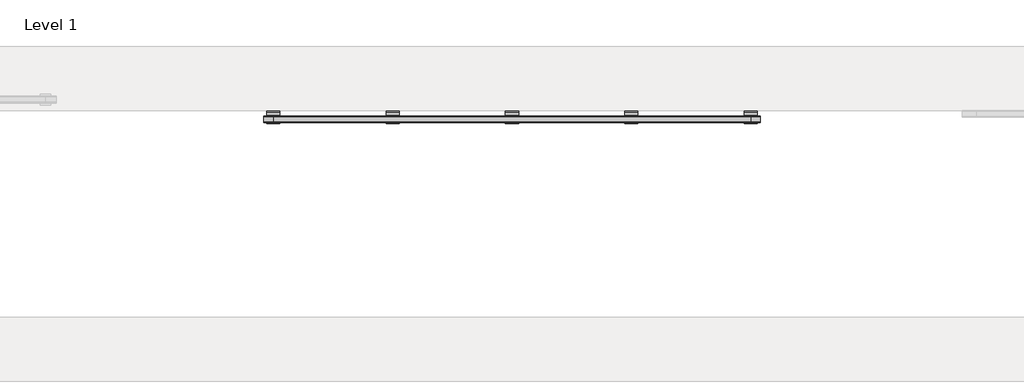
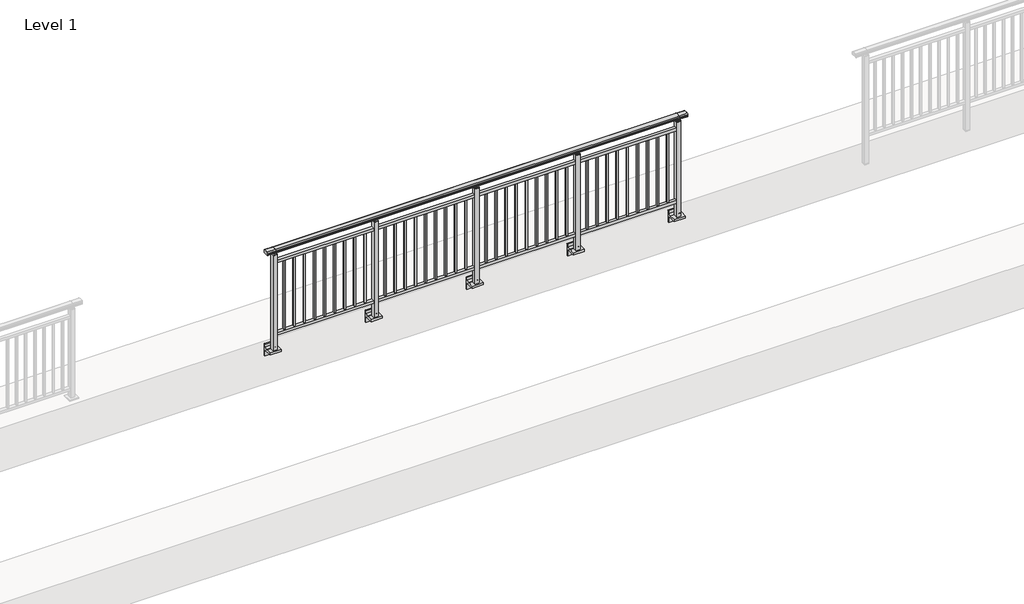
# One storey, part 14 of 64: 1 railing.
"""IFC4 building model written with IfcOpenShell, lengths in millimetres."""

from ifc_helpers import new_model, si_unit, point, frame, frame_2d, origin, place, context, project, spatial, polyline, circle_curve, trimmed, segment, composite_curve, outline, extrude, element, save
from ifc_brep_helpers import plane_surface, cylinder_surface, revolved_surface, advanced_brep

model = new_model("IFC4")

# Units and contexts
model_context = context("Model", 3, world=origin())
ifc_project = project(units=[si_unit("LENGTHUNIT", "METRE", prefix="MILLI")], contexts=[model_context])

# Site, building, storey
site = spatial("IfcSite", under=ifc_project)
building = spatial("IfcBuilding", under=site)
storey = spatial("IfcBuildingStorey", under=building, Name="Level 1", Elevation=0.0)

# Railing
placement = place(None, origin())
element("IfcRailing", 1, at=placement, inside=storey, context=model_context, shape_type="SolidModel", body=[
    advanced_brep(
    [(12910.0, 4842.8633756, 1095.6691182), (12910.0, 4847.6846828, 1081.1334092), (12910.0, 4846.7413744, 1069.2539035), (12910.0, 4848.6364177, 1061.4863007), (12910.0, 4846.9894799, 1060.384124), (12910.0, 4846.9894799, 1062.0), (12910.0, 4788.3798858, 1062.0), (12910.0, 4788.3798858, 1060.384124), (12910.0, 4786.732948, 1061.4863007), (12910.0, 4788.6279912, 1069.2539035), (12910.0, 4787.6846828, 1081.1334092), (12910.0, 4792.50599, 1095.6691182), (17490.0, 4842.8633756, 1095.6691182), (17490.0, 4792.50599, 1095.6691182), (17490.0, 4787.6846828, 1081.1334092), (17490.0, 4788.6279912, 1069.2539035), (17490.0, 4786.732948, 1061.4863007), (17490.0, 4788.3798858, 1060.384124), (17490.0, 4788.3798858, 1062.0), (17490.0, 4846.9894799, 1062.0), (17490.0, 4846.9894799, 1060.384124), (17490.0, 4848.6364177, 1061.4863007), (17490.0, 4846.7413744, 1069.2539035), (17490.0, 4847.6846828, 1081.1334092), (13000.0, 4842.8633756, 1095.6691182), (13000.0, 4847.6846828, 1081.1334092), (13000.0, 4846.7413744, 1069.2539035), (13000.0, 4848.6364177, 1061.4863007), (13000.0, 4846.9894799, 1060.384124), (13000.0, 4846.9894799, 1062.0), (13000.0, 4788.3798858, 1062.0), (13000.0, 4788.3798858, 1060.384124), (13000.0, 4786.732948, 1061.4863007), (13000.0, 4788.6279912, 1069.2539035), (13000.0, 4787.6846828, 1081.1334092), (13000.0, 4792.50599, 1095.6691182), (17400.0, 4842.8633756, 1095.6691182), (17400.0, 4847.6846828, 1081.1334092), (17400.0, 4846.7413744, 1069.2539035), (17400.0, 4848.6364177, 1061.4863007), (17400.0, 4846.9894799, 1060.384124), (17400.0, 4846.9894799, 1062.0), (17400.0, 4788.3798858, 1062.0), (17400.0, 4788.3798858, 1060.384124), (17400.0, 4786.732948, 1061.4863007), (17400.0, 4788.6279912, 1069.2539035), (17400.0, 4787.6846828, 1081.1334092), (17400.0, 4792.50599, 1095.6691182)],
    [
        (0, 1, circle_curve(frame((12910.0, 4839.6223845, 1086.526686), z_axis=(-1.0, 0.0, 0.0), x_axis=(0.0, -1.0, 0.0)), 9.6999015)),
        (1, 2, circle_curve(frame((12910.0, 4865.2252545, 1073.7633709), z_axis=(1.0, 0.0, 0.0), x_axis=(0.0, -1.0, 0.0)), 19.0260117)),
        (2, 3),
        (3, 4, circle_curve(frame((12910.0, 4847.7772073, 1060.9886194), z_axis=(-1.0, 0.0, 0.0), x_axis=(0.0, -1.0, 0.0)), 0.9929396)),
        (4, 5),
        (5, 6),
        (6, 7),
        (7, 8, circle_curve(frame((12910.0, 4787.5921584, 1060.9886194), z_axis=(-1.0, 0.0, 0.0), x_axis=(0.0, 1.0, 0.0)), 0.9929396)),
        (8, 9),
        (9, 10, circle_curve(frame((12910.0, 4770.1441111, 1073.7633709), z_axis=(1.0, 0.0, 0.0), x_axis=(0.0, 1.0, 0.0)), 19.0260117)),
        (10, 11, circle_curve(frame((12910.0, 4795.7469812, 1086.526686), z_axis=(-1.0, 0.0, 0.0), x_axis=(0.0, 1.0, 0.0)), 9.6999015)),
        (11, 0, circle_curve(frame((12910.0, 4817.6846828, 1024.6431628), z_axis=(-1.0, 0.0, 0.0), x_axis=(0.0, 1.0, 0.0)), 75.3568372)),
        (12, 13, circle_curve(frame((17490.0, 4817.6846828, 1024.6431628), z_axis=(1.0, 0.0, 0.0), x_axis=(0.0, 1.0, 0.0)), 75.3568372)),
        (13, 14, circle_curve(frame((17490.0, 4795.7469812, 1086.526686), z_axis=(1.0, 0.0, 0.0), x_axis=(0.0, 1.0, 0.0)), 9.6999015)),
        (14, 15, circle_curve(frame((17490.0, 4770.1441111, 1073.7633709), z_axis=(-1.0, 0.0, 0.0), x_axis=(0.0, 1.0, 0.0)), 19.0260117)),
        (15, 16),
        (16, 17, circle_curve(frame((17490.0, 4787.5921584, 1060.9886194), z_axis=(1.0, 0.0, 0.0), x_axis=(0.0, 1.0, 0.0)), 0.9929396)),
        (17, 18),
        (18, 19),
        (19, 20),
        (20, 21, circle_curve(frame((17490.0, 4847.7772073, 1060.9886194), z_axis=(1.0, 0.0, 0.0), x_axis=(0.0, -1.0, 0.0)), 0.9929396)),
        (21, 22),
        (22, 23, circle_curve(frame((17490.0, 4865.2252545, 1073.7633709), z_axis=(-1.0, 0.0, 0.0), x_axis=(0.0, -1.0, 0.0)), 19.0260117)),
        (23, 12, circle_curve(frame((17490.0, 4839.6223845, 1086.526686), z_axis=(1.0, 0.0, 0.0), x_axis=(0.0, -1.0, 0.0)), 9.6999015)),
        (0, 24),
        (24, 25, circle_curve(frame((13000.0, 4839.6223845, 1086.526686), z_axis=(-1.0, 0.0, 0.0), x_axis=(0.0, -1.0, 0.0)), 9.6999015)),
        (25, 1),
        (25, 26, circle_curve(frame((13000.0, 4865.2252545, 1073.7633709), z_axis=(1.0, 0.0, 0.0), x_axis=(0.0, -1.0, 0.0)), 19.0260117)),
        (26, 2),
        (26, 27),
        (27, 3),
        (27, 28, circle_curve(frame((13000.0, 4847.7772073, 1060.9886194), z_axis=(-1.0, 0.0, 0.0), x_axis=(0.0, -1.0, 0.0)), 0.9929396)),
        (28, 4),
        (28, 29),
        (29, 5),
        (29, 30),
        (30, 6),
        (30, 31),
        (31, 7),
        (31, 32, circle_curve(frame((13000.0, 4787.5921584, 1060.9886194), z_axis=(-1.0, 0.0, 0.0), x_axis=(0.0, 1.0, 0.0)), 0.9929396)),
        (32, 8),
        (32, 33),
        (33, 9),
        (33, 34, circle_curve(frame((13000.0, 4770.1441111, 1073.7633709), z_axis=(1.0, 0.0, 0.0), x_axis=(0.0, 1.0, 0.0)), 19.0260117)),
        (34, 10),
        (34, 35, circle_curve(frame((13000.0, 4795.7469812, 1086.526686), z_axis=(-1.0, 0.0, 0.0), x_axis=(0.0, 1.0, 0.0)), 9.6999015)),
        (35, 11),
        (35, 24, circle_curve(frame((13000.0, 4817.6846828, 1024.6431628), z_axis=(-1.0, 0.0, 0.0), x_axis=(0.0, 1.0, 0.0)), 75.3568372)),
        (24, 36),
        (36, 37, circle_curve(frame((17400.0, 4839.6223845, 1086.526686), z_axis=(-1.0, 0.0, 0.0), x_axis=(0.0, -1.0, 0.0)), 9.6999015)),
        (37, 25),
        (37, 38, circle_curve(frame((17400.0, 4865.2252545, 1073.7633709), z_axis=(1.0, 0.0, 0.0), x_axis=(0.0, -1.0, 0.0)), 19.0260117)),
        (38, 26),
        (38, 39),
        (39, 27),
        (39, 40, circle_curve(frame((17400.0, 4847.7772073, 1060.9886194), z_axis=(-1.0, 0.0, 0.0), x_axis=(0.0, -1.0, 0.0)), 0.9929396)),
        (40, 28),
        (40, 41),
        (41, 29),
        (41, 42),
        (42, 30),
        (42, 43),
        (43, 31),
        (43, 44, circle_curve(frame((17400.0, 4787.5921584, 1060.9886194), z_axis=(-1.0, 0.0, 0.0), x_axis=(0.0, 1.0, 0.0)), 0.9929396)),
        (44, 32),
        (44, 45),
        (45, 33),
        (45, 46, circle_curve(frame((17400.0, 4770.1441111, 1073.7633709), z_axis=(1.0, 0.0, 0.0), x_axis=(0.0, 1.0, 0.0)), 19.0260117)),
        (46, 34),
        (46, 47, circle_curve(frame((17400.0, 4795.7469812, 1086.526686), z_axis=(-1.0, 0.0, 0.0), x_axis=(0.0, 1.0, 0.0)), 9.6999015)),
        (47, 35),
        (47, 36, circle_curve(frame((17400.0, 4817.6846828, 1024.6431628), z_axis=(-1.0, 0.0, 0.0), x_axis=(0.0, 1.0, 0.0)), 75.3568372)),
        (36, 12),
        (23, 37),
        (22, 38),
        (21, 39),
        (20, 40),
        (19, 41),
        (18, 42),
        (17, 43),
        (16, 44),
        (15, 45),
        (14, 46),
        (13, 47),
    ],
    [
        plane_surface(frame((12910.0, 4817.6846828, 1100.0), z_axis=(-1.0, 0.0, 0.0), x_axis=(0.0, 1.0, 0.0))),
        plane_surface(frame((17490.0, 4817.6846828, 1100.0), z_axis=(1.0, 0.0, 0.0), x_axis=(0.0, 1.0, 0.0))),
        cylinder_surface(frame((12910.0, 4839.6223845, 1086.526686), z_axis=(-1.0, 0.0, 0.0), x_axis=(0.0, -1.0, 0.0)), 9.6999015),
        revolved_surface(polyline([(13000.0, 4846.1992428, 1073.7633709), (12910.0, 4846.1992428, 1073.7633709)]), (12910.0, 4865.2252545, 1073.7633709), (1.0, 0.0, 0.0)),
        plane_surface(frame((12910.0, 4846.7413744, 1069.2539035), z_axis=(0.0, 0.9715057689301543, 0.2370159086125439), x_axis=(1.0, 0.0, 0.0))),
        cylinder_surface(frame((12910.0, 4847.7772073, 1060.9886194), z_axis=(-1.0, 0.0, 0.0), x_axis=(0.0, -1.0, 0.0)), 0.9929396),
        plane_surface(frame((12910.0, 4846.9894799, 1060.384124), z_axis=(0.0, -1.0, 0.0), x_axis=(1.0, 0.0, 0.0))),
        plane_surface(frame((12910.0, 4846.9894799, 1062.0), z_axis=(0.0, 0.0, -1.0), x_axis=(1.0, 0.0, 0.0))),
        plane_surface(frame((12910.0, 4788.3798858, 1062.0), z_axis=(0.0, 1.0, 0.0), x_axis=(1.0, 0.0, 0.0))),
        cylinder_surface(frame((12910.0, 4787.5921584, 1060.9886194), z_axis=(-1.0, 0.0, 0.0), x_axis=(0.0, 1.0, 0.0)), 0.9929396),
        plane_surface(frame((12910.0, 4786.732948, 1061.4863007), z_axis=(0.0, -0.9715057689301543, 0.2370159086125439), x_axis=(1.0, 0.0, 0.0))),
        revolved_surface(polyline([(13000.0, 4789.1701228, 1073.7633709), (12910.0, 4789.1701228, 1073.7633709)]), (12910.0, 4770.1441111, 1073.7633709), (1.0, 0.0, 0.0)),
        cylinder_surface(frame((12910.0, 4795.7469812, 1086.526686), z_axis=(-1.0, 0.0, 0.0), x_axis=(0.0, 1.0, 0.0)), 9.6999015),
        cylinder_surface(frame((12910.0, 4817.6846828, 1024.6431628), z_axis=(-1.0, 0.0, 0.0), x_axis=(0.0, 1.0, 0.0)), 75.3568372),
        cylinder_surface(frame((13000.0, 4839.6223845, 1086.526686), z_axis=(-1.0, 0.0, 0.0), x_axis=(0.0, -1.0, 0.0)), 9.6999015),
        revolved_surface(polyline([(17400.0, 4846.1992428, 1073.7633709), (13000.0, 4846.1992428, 1073.7633709)]), (13000.0, 4865.2252545, 1073.7633709), (1.0, 0.0, 0.0)),
        plane_surface(frame((13000.0, 4846.7413744, 1069.2539035), z_axis=(0.0, 0.9715057689301543, 0.2370159086125439), x_axis=(1.0, 0.0, 0.0))),
        cylinder_surface(frame((13000.0, 4847.7772073, 1060.9886194), z_axis=(-1.0, 0.0, 0.0), x_axis=(0.0, -1.0, 0.0)), 0.9929396),
        plane_surface(frame((13000.0, 4846.9894799, 1060.384124), z_axis=(0.0, -1.0, 0.0), x_axis=(1.0, 0.0, 0.0))),
        plane_surface(frame((13000.0, 4846.9894799, 1062.0), z_axis=(0.0, 0.0, -1.0), x_axis=(1.0, 0.0, 0.0))),
        plane_surface(frame((13000.0, 4788.3798858, 1062.0), z_axis=(0.0, 1.0, 0.0), x_axis=(1.0, 0.0, 0.0))),
        cylinder_surface(frame((13000.0, 4787.5921584, 1060.9886194), z_axis=(-1.0, 0.0, 0.0), x_axis=(0.0, 1.0, 0.0)), 0.9929396),
        plane_surface(frame((13000.0, 4786.732948, 1061.4863007), z_axis=(0.0, -0.9715057689301543, 0.2370159086125439), x_axis=(1.0, 0.0, 0.0))),
        revolved_surface(polyline([(17400.0, 4789.1701228, 1073.7633709), (13000.0, 4789.1701228, 1073.7633709)]), (13000.0, 4770.1441111, 1073.7633709), (1.0, 0.0, 0.0)),
        cylinder_surface(frame((13000.0, 4795.7469812, 1086.526686), z_axis=(-1.0, 0.0, 0.0), x_axis=(0.0, 1.0, 0.0)), 9.6999015),
        cylinder_surface(frame((13000.0, 4817.6846828, 1024.6431628), z_axis=(-1.0, 0.0, 0.0), x_axis=(0.0, 1.0, 0.0)), 75.3568372),
        cylinder_surface(frame((17400.0, 4839.6223845, 1086.526686), z_axis=(-1.0, 0.0, 0.0), x_axis=(0.0, -1.0, 0.0)), 9.6999015),
        revolved_surface(polyline([(17490.0, 4846.1992428, 1073.7633709), (17400.0, 4846.1992428, 1073.7633709)]), (17400.0, 4865.2252545, 1073.7633709), (1.0, 0.0, 0.0)),
        plane_surface(frame((17400.0, 4846.7413744, 1069.2539035), z_axis=(0.0, 0.9715057689301543, 0.2370159086125439), x_axis=(1.0, 0.0, 0.0))),
        cylinder_surface(frame((17400.0, 4847.7772073, 1060.9886194), z_axis=(-1.0, 0.0, 0.0), x_axis=(0.0, -1.0, 0.0)), 0.9929396),
        plane_surface(frame((17400.0, 4846.9894799, 1060.384124), z_axis=(0.0, -1.0, 0.0), x_axis=(1.0, 0.0, 0.0))),
        plane_surface(frame((17400.0, 4846.9894799, 1062.0), z_axis=(0.0, 0.0, -1.0), x_axis=(1.0, 0.0, 0.0))),
        plane_surface(frame((17400.0, 4788.3798858, 1062.0), z_axis=(0.0, 1.0, 0.0), x_axis=(1.0, 0.0, 0.0))),
        cylinder_surface(frame((17400.0, 4787.5921584, 1060.9886194), z_axis=(-1.0, 0.0, 0.0), x_axis=(0.0, 1.0, 0.0)), 0.9929396),
        plane_surface(frame((17400.0, 4786.732948, 1061.4863007), z_axis=(0.0, -0.9715057689301543, 0.2370159086125439), x_axis=(1.0, 0.0, 0.0))),
        revolved_surface(polyline([(17490.0, 4789.1701228, 1073.7633709), (17400.0, 4789.1701228, 1073.7633709)]), (17400.0, 4770.1441111, 1073.7633709), (1.0, 0.0, 0.0)),
        cylinder_surface(frame((17400.0, 4795.7469812, 1086.526686), z_axis=(-1.0, 0.0, 0.0), x_axis=(0.0, 1.0, 0.0)), 9.6999015),
        cylinder_surface(frame((17400.0, 4817.6846828, 1024.6431628), z_axis=(-1.0, 0.0, 0.0), x_axis=(0.0, 1.0, 0.0)), 75.3568372),
    ],
    [
        (0, [[1, 2, 3, 4, 5, 6, 7, 8, 9, 10, 11, 12]]),
        (1, [[13, 14, 15, 16, 17, 18, 19, 20, 21, 22, 23, 24]]),
        (2, [[-1, 25, 26, 27]]),
        (3, [[-2, -27, 28, 29]]),
        (4, [[-3, -29, 30, 31]]),
        (5, [[-4, -31, 32, 33]]),
        (6, [[-5, -33, 34, 35]]),
        (7, [[-6, -35, 36, 37]]),
        (8, [[-7, -37, 38, 39]]),
        (9, [[-8, -39, 40, 41]]),
        (10, [[-9, -41, 42, 43]]),
        (11, [[-10, -43, 44, 45]]),
        (12, [[-11, -45, 46, 47]]),
        (13, [[-12, -47, 48, -25]]),
        (14, [[-26, 49, 50, 51]]),
        (15, [[-28, -51, 52, 53]]),
        (16, [[-30, -53, 54, 55]]),
        (17, [[-32, -55, 56, 57]]),
        (18, [[-34, -57, 58, 59]]),
        (19, [[-36, -59, 60, 61]]),
        (20, [[-38, -61, 62, 63]]),
        (21, [[-40, -63, 64, 65]]),
        (22, [[-42, -65, 66, 67]]),
        (23, [[-44, -67, 68, 69]]),
        (24, [[-46, -69, 70, 71]]),
        (25, [[-48, -71, 72, -49]]),
        (26, [[-50, 73, -24, 74]]),
        (27, [[-52, -74, -23, 75]]),
        (28, [[-54, -75, -22, 76]]),
        (29, [[-56, -76, -21, 77]]),
        (30, [[-58, -77, -20, 78]]),
        (31, [[-60, -78, -19, 79]]),
        (32, [[-62, -79, -18, 80]]),
        (33, [[-64, -80, -17, 81]]),
        (34, [[-66, -81, -16, 82]]),
        (35, [[-68, -82, -15, 83]]),
        (36, [[-70, -83, -14, 84]]),
        (37, [[-72, -84, -13, -73]]),
    ],
),
    extrude(outline(polyline([(13000.0, 4800.1846828), (13000.0, 4835.1846828), (17400.0, 4835.1846828), (17400.0, 4800.1846828), (13000.0, 4800.1846828)])), frame((0.0, 0.0, 930.0), z_axis=(0.0, 0.0, 1.0), x_axis=(1.0, 0.0, 0.0)), (0.0, 0.0, 1.0), 30.0),
    extrude(outline(polyline([(13000.0, 4800.1846828), (13000.0, 4835.1846828), (17400.0, 4835.1846828), (17400.0, 4800.1846828), (13000.0, 4800.1846828)])), frame((0.0, 0.0, 95.0), z_axis=(0.0, 0.0, 1.0), x_axis=(1.0, 0.0, 0.0)), (0.0, 0.0, 1.0), 30.0),
    extrude(outline(polyline([(17298.5, 4809.1846828), (17281.5, 4809.1846828), (17281.5, 4826.1846828), (17298.5, 4826.1846828), (17298.5, 4809.1846828)])), frame((0.0, 0.0, 125.0), z_axis=(0.0, 0.0, 1.0), x_axis=(1.0, 0.0, 0.0)), (0.0, 0.0, 1.0), 805.0),
    extrude(outline(polyline([(17188.5, 4809.1846828), (17171.5, 4809.1846828), (17171.5, 4826.1846828), (17188.5, 4826.1846828), (17188.5, 4809.1846828)])), frame((0.0, 0.0, 125.0), z_axis=(0.0, 0.0, 1.0), x_axis=(1.0, 0.0, 0.0)), (0.0, 0.0, 1.0), 805.0),
    extrude(outline(polyline([(17078.5, 4809.1846828), (17061.5, 4809.1846828), (17061.5, 4826.1846828), (17078.5, 4826.1846828), (17078.5, 4809.1846828)])), frame((0.0, 0.0, 125.0), z_axis=(0.0, 0.0, 1.0), x_axis=(1.0, 0.0, 0.0)), (0.0, 0.0, 1.0), 805.0),
    extrude(outline(polyline([(16968.5, 4809.1846828), (16951.5, 4809.1846828), (16951.5, 4826.1846828), (16968.5, 4826.1846828), (16968.5, 4809.1846828)])), frame((0.0, 0.0, 125.0), z_axis=(0.0, 0.0, 1.0), x_axis=(1.0, 0.0, 0.0)), (0.0, 0.0, 1.0), 805.0),
    extrude(outline(polyline([(16858.5, 4809.1846828), (16841.5, 4809.1846828), (16841.5, 4826.1846828), (16858.5, 4826.1846828), (16858.5, 4809.1846828)])), frame((0.0, 0.0, 125.0), z_axis=(0.0, 0.0, 1.0), x_axis=(1.0, 0.0, 0.0)), (0.0, 0.0, 1.0), 805.0),
    extrude(outline(polyline([(16748.5, 4809.1846828), (16731.5, 4809.1846828), (16731.5, 4826.1846828), (16748.5, 4826.1846828), (16748.5, 4809.1846828)])), frame((0.0, 0.0, 125.0), z_axis=(0.0, 0.0, 1.0), x_axis=(1.0, 0.0, 0.0)), (0.0, 0.0, 1.0), 805.0),
    extrude(outline(polyline([(16638.5, 4809.1846828), (16621.5, 4809.1846828), (16621.5, 4826.1846828), (16638.5, 4826.1846828), (16638.5, 4809.1846828)])), frame((0.0, 0.0, 125.0), z_axis=(0.0, 0.0, 1.0), x_axis=(1.0, 0.0, 0.0)), (0.0, 0.0, 1.0), 805.0),
    extrude(outline(polyline([(16528.5, 4809.1846828), (16511.5, 4809.1846828), (16511.5, 4826.1846828), (16528.5, 4826.1846828), (16528.5, 4809.1846828)])), frame((0.0, 0.0, 125.0), z_axis=(0.0, 0.0, 1.0), x_axis=(1.0, 0.0, 0.0)), (0.0, 0.0, 1.0), 805.0),
    extrude(outline(polyline([(16418.5, 4809.1846828), (16401.5, 4809.1846828), (16401.5, 4826.1846828), (16418.5, 4826.1846828), (16418.5, 4809.1846828)])), frame((0.0, 0.0, 125.0), z_axis=(0.0, 0.0, 1.0), x_axis=(1.0, 0.0, 0.0)), (0.0, 0.0, 1.0), 805.0),
    extrude(outline(composite_curve([segment(polyline([(4850.1846828, -70.0), (4884.1846828, -63.0), (4884.1846828, -32.5), (4900.1846828, -32.5), (4900.1846828, -167.5), (4884.1846828, -167.5), (4884.1846828, -113.5)]), True, "CONTINUOUS"), segment(trimmed(circle_curve(frame_2d((4864.1846828, -113.5)), 20.0), [point((4884.1846828, -113.5))], [point((4864.1846828, -93.5))], True, "CARTESIAN"), True, "CONTINUOUS"), segment(polyline([(4864.1846828, -93.5), (4780.1846828, -93.5), (4780.1846828, -70.0), (4850.1846828, -70.0)]), True, "CONTINUOUS")], self_intersect=False)), frame((16240.0, 0.0, 0.0), z_axis=(1.0, 0.0, 0.0), x_axis=(0.0, 1.0, 0.0)), (0.0, 0.0, 1.0), 120.0),
    extrude(outline(polyline([(16322.5, 4840.1846828), (16322.5, 4795.1846828), (16277.5, 4795.1846828), (16277.5, 4840.1846828), (16322.5, 4840.1846828)])), frame((0.0, 0.0, -70.0), z_axis=(0.0, 0.0, 1.0), x_axis=(1.0, 0.0, 0.0)), (0.0, 0.0, 1.0), 1097.0),
    extrude(outline(polyline([(16310.0, 4827.6846828), (16310.0, 4807.6846828), (16290.0, 4807.6846828), (16290.0, 4827.6846828), (16310.0, 4827.6846828)])), frame((0.0, 0.0, 1035.0), z_axis=(0.0, 0.0, 1.0), x_axis=(1.0, 0.0, 0.0)), (0.0, 0.0, 1.0), 20.0),
    extrude(outline(polyline([(16322.5, 4840.1846828), (16322.5, 4795.1846828), (16277.5, 4795.1846828), (16277.5, 4840.1846828), (16322.5, 4840.1846828)])), frame((0.0, 0.0, 1027.0), z_axis=(0.0, 0.0, 1.0), x_axis=(1.0, 0.0, 0.0)), (0.0, 0.0, 1.0), 8.0),
    extrude(outline(polyline([(16198.5, 4809.1846828), (16181.5, 4809.1846828), (16181.5, 4826.1846828), (16198.5, 4826.1846828), (16198.5, 4809.1846828)])), frame((0.0, 0.0, 125.0), z_axis=(0.0, 0.0, 1.0), x_axis=(1.0, 0.0, 0.0)), (0.0, 0.0, 1.0), 805.0),
    extrude(outline(polyline([(16088.5, 4809.1846828), (16071.5, 4809.1846828), (16071.5, 4826.1846828), (16088.5, 4826.1846828), (16088.5, 4809.1846828)])), frame((0.0, 0.0, 125.0), z_axis=(0.0, 0.0, 1.0), x_axis=(1.0, 0.0, 0.0)), (0.0, 0.0, 1.0), 805.0),
    extrude(outline(polyline([(15978.5, 4809.1846828), (15961.5, 4809.1846828), (15961.5, 4826.1846828), (15978.5, 4826.1846828), (15978.5, 4809.1846828)])), frame((0.0, 0.0, 125.0), z_axis=(0.0, 0.0, 1.0), x_axis=(1.0, 0.0, 0.0)), (0.0, 0.0, 1.0), 805.0),
    extrude(outline(polyline([(15868.5, 4809.1846828), (15851.5, 4809.1846828), (15851.5, 4826.1846828), (15868.5, 4826.1846828), (15868.5, 4809.1846828)])), frame((0.0, 0.0, 125.0), z_axis=(0.0, 0.0, 1.0), x_axis=(1.0, 0.0, 0.0)), (0.0, 0.0, 1.0), 805.0),
    extrude(outline(polyline([(15758.5, 4809.1846828), (15741.5, 4809.1846828), (15741.5, 4826.1846828), (15758.5, 4826.1846828), (15758.5, 4809.1846828)])), frame((0.0, 0.0, 125.0), z_axis=(0.0, 0.0, 1.0), x_axis=(1.0, 0.0, 0.0)), (0.0, 0.0, 1.0), 805.0),
    extrude(outline(polyline([(15648.5, 4809.1846828), (15631.5, 4809.1846828), (15631.5, 4826.1846828), (15648.5, 4826.1846828), (15648.5, 4809.1846828)])), frame((0.0, 0.0, 125.0), z_axis=(0.0, 0.0, 1.0), x_axis=(1.0, 0.0, 0.0)), (0.0, 0.0, 1.0), 805.0),
    extrude(outline(polyline([(15538.5, 4809.1846828), (15521.5, 4809.1846828), (15521.5, 4826.1846828), (15538.5, 4826.1846828), (15538.5, 4809.1846828)])), frame((0.0, 0.0, 125.0), z_axis=(0.0, 0.0, 1.0), x_axis=(1.0, 0.0, 0.0)), (0.0, 0.0, 1.0), 805.0),
    extrude(outline(polyline([(15428.5, 4809.1846828), (15411.5, 4809.1846828), (15411.5, 4826.1846828), (15428.5, 4826.1846828), (15428.5, 4809.1846828)])), frame((0.0, 0.0, 125.0), z_axis=(0.0, 0.0, 1.0), x_axis=(1.0, 0.0, 0.0)), (0.0, 0.0, 1.0), 805.0),
    extrude(outline(polyline([(15318.5, 4809.1846828), (15301.5, 4809.1846828), (15301.5, 4826.1846828), (15318.5, 4826.1846828), (15318.5, 4809.1846828)])), frame((0.0, 0.0, 125.0), z_axis=(0.0, 0.0, 1.0), x_axis=(1.0, 0.0, 0.0)), (0.0, 0.0, 1.0), 805.0),
    extrude(outline(composite_curve([segment(polyline([(4850.1846828, -70.0), (4884.1846828, -63.0), (4884.1846828, -32.5), (4900.1846828, -32.5), (4900.1846828, -167.5), (4884.1846828, -167.5), (4884.1846828, -113.5)]), True, "CONTINUOUS"), segment(trimmed(circle_curve(frame_2d((4864.1846828, -113.5)), 20.0), [point((4884.1846828, -113.5))], [point((4864.1846828, -93.5))], True, "CARTESIAN"), True, "CONTINUOUS"), segment(polyline([(4864.1846828, -93.5), (4780.1846828, -93.5), (4780.1846828, -70.0), (4850.1846828, -70.0)]), True, "CONTINUOUS")], self_intersect=False)), frame((15140.0, 0.0, 0.0), z_axis=(1.0, 0.0, 0.0), x_axis=(0.0, 1.0, 0.0)), (0.0, 0.0, 1.0), 120.0),
    extrude(outline(polyline([(15222.5, 4840.1846828), (15222.5, 4795.1846828), (15177.5, 4795.1846828), (15177.5, 4840.1846828), (15222.5, 4840.1846828)])), frame((0.0, 0.0, -70.0), z_axis=(0.0, 0.0, 1.0), x_axis=(1.0, 0.0, 0.0)), (0.0, 0.0, 1.0), 1097.0),
    extrude(outline(polyline([(15210.0, 4827.6846828), (15210.0, 4807.6846828), (15190.0, 4807.6846828), (15190.0, 4827.6846828), (15210.0, 4827.6846828)])), frame((0.0, 0.0, 1035.0), z_axis=(0.0, 0.0, 1.0), x_axis=(1.0, 0.0, 0.0)), (0.0, 0.0, 1.0), 20.0),
    extrude(outline(polyline([(15222.5, 4840.1846828), (15222.5, 4795.1846828), (15177.5, 4795.1846828), (15177.5, 4840.1846828), (15222.5, 4840.1846828)])), frame((0.0, 0.0, 1027.0), z_axis=(0.0, 0.0, 1.0), x_axis=(1.0, 0.0, 0.0)), (0.0, 0.0, 1.0), 8.0),
    extrude(outline(polyline([(15098.5, 4809.1846828), (15081.5, 4809.1846828), (15081.5, 4826.1846828), (15098.5, 4826.1846828), (15098.5, 4809.1846828)])), frame((0.0, 0.0, 125.0), z_axis=(0.0, 0.0, 1.0), x_axis=(1.0, 0.0, 0.0)), (0.0, 0.0, 1.0), 805.0),
    extrude(outline(polyline([(14988.5, 4809.1846828), (14971.5, 4809.1846828), (14971.5, 4826.1846828), (14988.5, 4826.1846828), (14988.5, 4809.1846828)])), frame((0.0, 0.0, 125.0), z_axis=(0.0, 0.0, 1.0), x_axis=(1.0, 0.0, 0.0)), (0.0, 0.0, 1.0), 805.0),
    extrude(outline(polyline([(14878.5, 4809.1846828), (14861.5, 4809.1846828), (14861.5, 4826.1846828), (14878.5, 4826.1846828), (14878.5, 4809.1846828)])), frame((0.0, 0.0, 125.0), z_axis=(0.0, 0.0, 1.0), x_axis=(1.0, 0.0, 0.0)), (0.0, 0.0, 1.0), 805.0),
    extrude(outline(polyline([(14768.5, 4809.1846828), (14751.5, 4809.1846828), (14751.5, 4826.1846828), (14768.5, 4826.1846828), (14768.5, 4809.1846828)])), frame((0.0, 0.0, 125.0), z_axis=(0.0, 0.0, 1.0), x_axis=(1.0, 0.0, 0.0)), (0.0, 0.0, 1.0), 805.0),
    extrude(outline(polyline([(14658.5, 4809.1846828), (14641.5, 4809.1846828), (14641.5, 4826.1846828), (14658.5, 4826.1846828), (14658.5, 4809.1846828)])), frame((0.0, 0.0, 125.0), z_axis=(0.0, 0.0, 1.0), x_axis=(1.0, 0.0, 0.0)), (0.0, 0.0, 1.0), 805.0),
    extrude(outline(polyline([(14548.5, 4809.1846828), (14531.5, 4809.1846828), (14531.5, 4826.1846828), (14548.5, 4826.1846828), (14548.5, 4809.1846828)])), frame((0.0, 0.0, 125.0), z_axis=(0.0, 0.0, 1.0), x_axis=(1.0, 0.0, 0.0)), (0.0, 0.0, 1.0), 805.0),
    extrude(outline(polyline([(14438.5, 4809.1846828), (14421.5, 4809.1846828), (14421.5, 4826.1846828), (14438.5, 4826.1846828), (14438.5, 4809.1846828)])), frame((0.0, 0.0, 125.0), z_axis=(0.0, 0.0, 1.0), x_axis=(1.0, 0.0, 0.0)), (0.0, 0.0, 1.0), 805.0),
    extrude(outline(polyline([(14328.5, 4809.1846828), (14311.5, 4809.1846828), (14311.5, 4826.1846828), (14328.5, 4826.1846828), (14328.5, 4809.1846828)])), frame((0.0, 0.0, 125.0), z_axis=(0.0, 0.0, 1.0), x_axis=(1.0, 0.0, 0.0)), (0.0, 0.0, 1.0), 805.0),
    extrude(outline(polyline([(14218.5, 4809.1846828), (14201.5, 4809.1846828), (14201.5, 4826.1846828), (14218.5, 4826.1846828), (14218.5, 4809.1846828)])), frame((0.0, 0.0, 125.0), z_axis=(0.0, 0.0, 1.0), x_axis=(1.0, 0.0, 0.0)), (0.0, 0.0, 1.0), 805.0),
    extrude(outline(composite_curve([segment(polyline([(4850.1846828, -70.0), (4884.1846828, -63.0), (4884.1846828, -32.5), (4900.1846828, -32.5), (4900.1846828, -167.5), (4884.1846828, -167.5), (4884.1846828, -113.5)]), True, "CONTINUOUS"), segment(trimmed(circle_curve(frame_2d((4864.1846828, -113.5)), 20.0), [point((4884.1846828, -113.5))], [point((4864.1846828, -93.5))], True, "CARTESIAN"), True, "CONTINUOUS"), segment(polyline([(4864.1846828, -93.5), (4780.1846828, -93.5), (4780.1846828, -70.0), (4850.1846828, -70.0)]), True, "CONTINUOUS")], self_intersect=False)), frame((14040.0, 0.0, 0.0), z_axis=(1.0, 0.0, 0.0), x_axis=(0.0, 1.0, 0.0)), (0.0, 0.0, 1.0), 120.0),
    extrude(outline(polyline([(14122.5, 4840.1846828), (14122.5, 4795.1846828), (14077.5, 4795.1846828), (14077.5, 4840.1846828), (14122.5, 4840.1846828)])), frame((0.0, 0.0, -70.0), z_axis=(0.0, 0.0, 1.0), x_axis=(1.0, 0.0, 0.0)), (0.0, 0.0, 1.0), 1097.0),
    extrude(outline(polyline([(14110.0, 4827.6846828), (14110.0, 4807.6846828), (14090.0, 4807.6846828), (14090.0, 4827.6846828), (14110.0, 4827.6846828)])), frame((0.0, 0.0, 1035.0), z_axis=(0.0, 0.0, 1.0), x_axis=(1.0, 0.0, 0.0)), (0.0, 0.0, 1.0), 20.0),
    extrude(outline(polyline([(14122.5, 4840.1846828), (14122.5, 4795.1846828), (14077.5, 4795.1846828), (14077.5, 4840.1846828), (14122.5, 4840.1846828)])), frame((0.0, 0.0, 1027.0), z_axis=(0.0, 0.0, 1.0), x_axis=(1.0, 0.0, 0.0)), (0.0, 0.0, 1.0), 8.0),
    extrude(outline(polyline([(13998.5, 4809.1846828), (13981.5, 4809.1846828), (13981.5, 4826.1846828), (13998.5, 4826.1846828), (13998.5, 4809.1846828)])), frame((0.0, 0.0, 125.0), z_axis=(0.0, 0.0, 1.0), x_axis=(1.0, 0.0, 0.0)), (0.0, 0.0, 1.0), 805.0),
    extrude(outline(polyline([(13888.5, 4809.1846828), (13871.5, 4809.1846828), (13871.5, 4826.1846828), (13888.5, 4826.1846828), (13888.5, 4809.1846828)])), frame((0.0, 0.0, 125.0), z_axis=(0.0, 0.0, 1.0), x_axis=(1.0, 0.0, 0.0)), (0.0, 0.0, 1.0), 805.0),
    extrude(outline(polyline([(13778.5, 4809.1846828), (13761.5, 4809.1846828), (13761.5, 4826.1846828), (13778.5, 4826.1846828), (13778.5, 4809.1846828)])), frame((0.0, 0.0, 125.0), z_axis=(0.0, 0.0, 1.0), x_axis=(1.0, 0.0, 0.0)), (0.0, 0.0, 1.0), 805.0),
    extrude(outline(polyline([(13668.5, 4809.1846828), (13651.5, 4809.1846828), (13651.5, 4826.1846828), (13668.5, 4826.1846828), (13668.5, 4809.1846828)])), frame((0.0, 0.0, 125.0), z_axis=(0.0, 0.0, 1.0), x_axis=(1.0, 0.0, 0.0)), (0.0, 0.0, 1.0), 805.0),
    extrude(outline(polyline([(13558.5, 4809.1846828), (13541.5, 4809.1846828), (13541.5, 4826.1846828), (13558.5, 4826.1846828), (13558.5, 4809.1846828)])), frame((0.0, 0.0, 125.0), z_axis=(0.0, 0.0, 1.0), x_axis=(1.0, 0.0, 0.0)), (0.0, 0.0, 1.0), 805.0),
    extrude(outline(polyline([(13448.5, 4809.1846828), (13431.5, 4809.1846828), (13431.5, 4826.1846828), (13448.5, 4826.1846828), (13448.5, 4809.1846828)])), frame((0.0, 0.0, 125.0), z_axis=(0.0, 0.0, 1.0), x_axis=(1.0, 0.0, 0.0)), (0.0, 0.0, 1.0), 805.0),
    extrude(outline(polyline([(13338.5, 4809.1846828), (13321.5, 4809.1846828), (13321.5, 4826.1846828), (13338.5, 4826.1846828), (13338.5, 4809.1846828)])), frame((0.0, 0.0, 125.0), z_axis=(0.0, 0.0, 1.0), x_axis=(1.0, 0.0, 0.0)), (0.0, 0.0, 1.0), 805.0),
    extrude(outline(polyline([(13228.5, 4809.1846828), (13211.5, 4809.1846828), (13211.5, 4826.1846828), (13228.5, 4826.1846828), (13228.5, 4809.1846828)])), frame((0.0, 0.0, 125.0), z_axis=(0.0, 0.0, 1.0), x_axis=(1.0, 0.0, 0.0)), (0.0, 0.0, 1.0), 805.0),
    extrude(outline(polyline([(13118.5, 4809.1846828), (13101.5, 4809.1846828), (13101.5, 4826.1846828), (13118.5, 4826.1846828), (13118.5, 4809.1846828)])), frame((0.0, 0.0, 125.0), z_axis=(0.0, 0.0, 1.0), x_axis=(1.0, 0.0, 0.0)), (0.0, 0.0, 1.0), 805.0),
    extrude(outline(composite_curve([segment(polyline([(4850.1846828, -70.0), (4884.1846828, -63.0), (4884.1846828, -32.5), (4900.1846828, -32.5), (4900.1846828, -167.5), (4884.1846828, -167.5), (4884.1846828, -113.5)]), True, "CONTINUOUS"), segment(trimmed(circle_curve(frame_2d((4864.1846828, -113.5)), 20.0), [point((4884.1846828, -113.5))], [point((4864.1846828, -93.5))], True, "CARTESIAN"), True, "CONTINUOUS"), segment(polyline([(4864.1846828, -93.5), (4780.1846828, -93.5), (4780.1846828, -70.0), (4850.1846828, -70.0)]), True, "CONTINUOUS")], self_intersect=False)), frame((17340.0, 0.0, 0.0), z_axis=(1.0, 0.0, 0.0), x_axis=(0.0, 1.0, 0.0)), (0.0, 0.0, 1.0), 120.0),
    extrude(outline(polyline([(17422.5, 4840.1846828), (17422.5, 4795.1846828), (17377.5, 4795.1846828), (17377.5, 4840.1846828), (17422.5, 4840.1846828)])), frame((0.0, 0.0, -70.0), z_axis=(0.0, 0.0, 1.0), x_axis=(1.0, 0.0, 0.0)), (0.0, 0.0, 1.0), 1097.0),
    extrude(outline(polyline([(17410.0, 4827.6846828), (17410.0, 4807.6846828), (17390.0, 4807.6846828), (17390.0, 4827.6846828), (17410.0, 4827.6846828)])), frame((0.0, 0.0, 1035.0), z_axis=(0.0, 0.0, 1.0), x_axis=(1.0, 0.0, 0.0)), (0.0, 0.0, 1.0), 20.0),
    extrude(outline(polyline([(17422.5, 4840.1846828), (17422.5, 4795.1846828), (17377.5, 4795.1846828), (17377.5, 4840.1846828), (17422.5, 4840.1846828)])), frame((0.0, 0.0, 1027.0), z_axis=(0.0, 0.0, 1.0), x_axis=(1.0, 0.0, 0.0)), (0.0, 0.0, 1.0), 8.0),
    extrude(outline(composite_curve([segment(polyline([(4850.1846828, -70.0), (4884.1846828, -63.0), (4884.1846828, -32.5), (4900.1846828, -32.5), (4900.1846828, -167.5), (4884.1846828, -167.5), (4884.1846828, -113.5)]), True, "CONTINUOUS"), segment(trimmed(circle_curve(frame_2d((4864.1846828, -113.5)), 20.0), [point((4884.1846828, -113.5))], [point((4864.1846828, -93.5))], True, "CARTESIAN"), True, "CONTINUOUS"), segment(polyline([(4864.1846828, -93.5), (4780.1846828, -93.5), (4780.1846828, -70.0), (4850.1846828, -70.0)]), True, "CONTINUOUS")], self_intersect=False)), frame((12940.0, 0.0, 0.0), z_axis=(1.0, 0.0, 0.0), x_axis=(0.0, 1.0, 0.0)), (0.0, 0.0, 1.0), 120.0),
    extrude(outline(polyline([(13022.5, 4840.1846828), (13022.5, 4795.1846828), (12977.5, 4795.1846828), (12977.5, 4840.1846828), (13022.5, 4840.1846828)])), frame((0.0, 0.0, -70.0), z_axis=(0.0, 0.0, 1.0), x_axis=(1.0, 0.0, 0.0)), (0.0, 0.0, 1.0), 1097.0),
    extrude(outline(polyline([(13010.0, 4827.6846828), (13010.0, 4807.6846828), (12990.0, 4807.6846828), (12990.0, 4827.6846828), (13010.0, 4827.6846828)])), frame((0.0, 0.0, 1035.0), z_axis=(0.0, 0.0, 1.0), x_axis=(1.0, 0.0, 0.0)), (0.0, 0.0, 1.0), 20.0),
    extrude(outline(polyline([(13022.5, 4840.1846828), (13022.5, 4795.1846828), (12977.5, 4795.1846828), (12977.5, 4840.1846828), (13022.5, 4840.1846828)])), frame((0.0, 0.0, 1027.0), z_axis=(0.0, 0.0, 1.0), x_axis=(1.0, 0.0, 0.0)), (0.0, 0.0, 1.0), 8.0),
])

save(model, "model.ifc")
